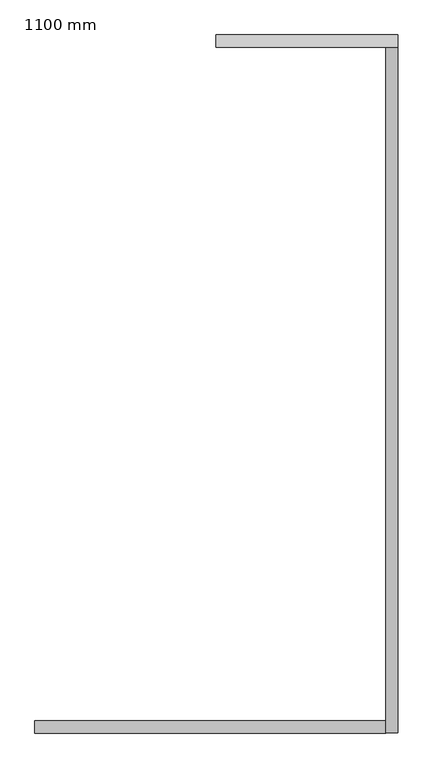
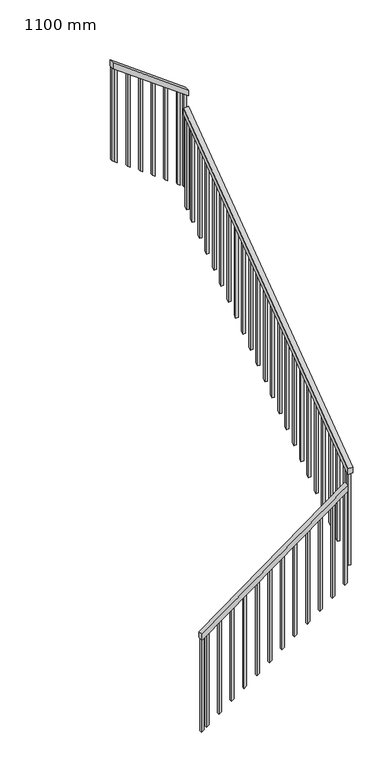
"""IFC4 building model written with IfcOpenShell, lengths in millimetres: railing geometry, 1100 mm."""

from ifc_helpers import new_model, si_unit, frame, origin, place, context, project, spatial, polyline, outline, extrude, source, transform, mapped, element, save


def railing_1100_mm_e6443745(model_context):
    return source(origin(), model_context, "Body", "SweptSolid", [
        extrude(outline(polyline([(1282.6086957, -10342.4724667), (1220.6475076, -10342.4724667), (2279.7047525, -8895.4724667), (2341.6659406, -8895.4724667), (1282.6086957, -10342.4724667)])), frame((0.0, -423.5476232, 0.0), z_axis=(0.0, 1.0, 0.0), x_axis=(0.0, 0.0, 1.0)), (0.0, 0.0, 1.0), 50.0),
        extrude(outline(polyline([(-423.5476232, 2451.3727606), (-423.5476232, 2513.3221445), (2402.4523768, 4580.5376991), (2402.4523768, 4518.5883152), (-423.5476232, 2451.3727606)])), frame((-8895.4724667, 0.0, 0.0), z_axis=(1.0, 0.0, 0.0), x_axis=(0.0, 1.0, 0.0)), (0.0, 0.0, 1.0), 50.0),
        extrude(outline(polyline([(4690.2559235, -8845.4724667), (4752.173913, -8845.4724667), (5300.0, -9595.4724667), (5238.0820105, -9595.4724667), (4690.2559235, -8845.4724667)])), frame((0.0, 2402.4523768, 0.0), z_axis=(0.0, 1.0, 0.0), x_axis=(0.0, 0.0, 1.0)), (0.0, 0.0, 1.0), 50.0),
        extrude(outline(polyline([(5201.5602713, -9545.4724667), (5219.8211409, -9570.4724667), (4247.1132281, -9570.4724667), (4228.8523586, -9545.4724667), (5201.5602713, -9545.4724667)])), frame((0.0, 2414.9523768, 0.0), z_axis=(0.0, 1.0, 0.0), x_axis=(0.0, 0.0, 1.0)), (0.0, 0.0, 1.0), 25.0),
        extrude(outline(polyline([(5110.2559235, -9420.4724667), (5128.5167931, -9445.4724667), (4155.8088803, -9445.4724667), (4137.5480107, -9420.4724667), (5110.2559235, -9420.4724667)])), frame((0.0, 2414.9523768, 0.0), z_axis=(0.0, 1.0, 0.0), x_axis=(0.0, 0.0, 1.0)), (0.0, 0.0, 1.0), 25.0),
        extrude(outline(polyline([(5018.9515757, -9295.4724667), (5037.2124452, -9320.4724667), (4064.5045325, -9320.4724667), (4046.2436629, -9295.4724667), (5018.9515757, -9295.4724667)])), frame((0.0, 2414.9523768, 0.0), z_axis=(0.0, 1.0, 0.0), x_axis=(0.0, 0.0, 1.0)), (0.0, 0.0, 1.0), 25.0),
        extrude(outline(polyline([(4927.6472278, -9170.4724667), (4945.9080974, -9195.4724667), (3973.2001847, -9195.4724667), (3954.9393151, -9170.4724667), (4927.6472278, -9170.4724667)])), frame((0.0, 2414.9523768, 0.0), z_axis=(0.0, 1.0, 0.0), x_axis=(0.0, 0.0, 1.0)), (0.0, 0.0, 1.0), 25.0),
        extrude(outline(polyline([(4836.34288, -9045.4724667), (4854.6037496, -9070.4724667), (3881.8958368, -9070.4724667), (3863.6349673, -9045.4724667), (4836.34288, -9045.4724667)])), frame((0.0, 2414.9523768, 0.0), z_axis=(0.0, 1.0, 0.0), x_axis=(0.0, 0.0, 1.0)), (0.0, 0.0, 1.0), 25.0),
        extrude(outline(polyline([(4745.0385322, -8920.4724667), (4763.2994018, -8945.4724667), (3790.591489, -8945.4724667), (3772.3306194, -8920.4724667), (4745.0385322, -8920.4724667)])), frame((0.0, 2414.9523768, 0.0), z_axis=(0.0, 1.0, 0.0), x_axis=(0.0, 0.0, 1.0)), (0.0, 0.0, 1.0), 25.0),
        extrude(outline(polyline([(2276.4523768, 4426.3491159), (2301.4523768, 4444.6465804), (2301.4523768, 3472.1778335), (2276.4523768, 3453.880369), (2276.4523768, 4426.3491159)])), frame((-8882.9724667, 0.0, 0.0), z_axis=(1.0, 0.0, 0.0), x_axis=(0.0, 1.0, 0.0)), (0.0, 0.0, 1.0), 25.0),
        extrude(outline(polyline([(2151.4523768, 4334.9117683), (2176.4523768, 4353.2092328), (2176.4523768, 3380.7404859), (2151.4523768, 3362.4430214), (2151.4523768, 4334.9117683)])), frame((-8882.9724667, 0.0, 0.0), z_axis=(1.0, 0.0, 0.0), x_axis=(0.0, 1.0, 0.0)), (0.0, 0.0, 1.0), 25.0),
        extrude(outline(polyline([(2026.4523768, 4243.4744207), (2051.4523768, 4261.7718852), (2051.4523768, 3289.3031383), (2026.4523768, 3271.0056738), (2026.4523768, 4243.4744207)])), frame((-8882.9724667, 0.0, 0.0), z_axis=(1.0, 0.0, 0.0), x_axis=(0.0, 1.0, 0.0)), (0.0, 0.0, 1.0), 25.0),
        extrude(outline(polyline([(1901.4523768, 4152.0370731), (1926.4523768, 4170.3345376), (1926.4523768, 3197.8657907), (1901.4523768, 3179.5683262), (1901.4523768, 4152.0370731)])), frame((-8882.9724667, 0.0, 0.0), z_axis=(1.0, 0.0, 0.0), x_axis=(0.0, 1.0, 0.0)), (0.0, 0.0, 1.0), 25.0),
        extrude(outline(polyline([(1776.4523768, 4060.5997255), (1801.4523768, 4078.89719), (1801.4523768, 3106.4284431), (1776.4523768, 3088.1309786), (1776.4523768, 4060.5997255)])), frame((-8882.9724667, 0.0, 0.0), z_axis=(1.0, 0.0, 0.0), x_axis=(0.0, 1.0, 0.0)), (0.0, 0.0, 1.0), 25.0),
        extrude(outline(polyline([(1651.4523768, 3969.1623779), (1676.4523768, 3987.4598424), (1676.4523768, 3014.9910954), (1651.4523768, 2996.693631), (1651.4523768, 3969.1623779)])), frame((-8882.9724667, 0.0, 0.0), z_axis=(1.0, 0.0, 0.0), x_axis=(0.0, 1.0, 0.0)), (0.0, 0.0, 1.0), 25.0),
        extrude(outline(polyline([(1526.4523768, 3877.7250303), (1551.4523768, 3896.0224948), (1551.4523768, 2923.5537478), (1526.4523768, 2905.2562833), (1526.4523768, 3877.7250303)])), frame((-8882.9724667, 0.0, 0.0), z_axis=(1.0, 0.0, 0.0), x_axis=(0.0, 1.0, 0.0)), (0.0, 0.0, 1.0), 25.0),
        extrude(outline(polyline([(1401.4523768, 3786.2876827), (1426.4523768, 3804.5851472), (1426.4523768, 2832.1164002), (1401.4523768, 2813.8189357), (1401.4523768, 3786.2876827)])), frame((-8882.9724667, 0.0, 0.0), z_axis=(1.0, 0.0, 0.0), x_axis=(0.0, 1.0, 0.0)), (0.0, 0.0, 1.0), 25.0),
        extrude(outline(polyline([(1276.4523768, 3694.8503351), (1301.4523768, 3713.1477996), (1301.4523768, 2740.6790526), (1276.4523768, 2722.3815881), (1276.4523768, 3694.8503351)])), frame((-8882.9724667, 0.0, 0.0), z_axis=(1.0, 0.0, 0.0), x_axis=(0.0, 1.0, 0.0)), (0.0, 0.0, 1.0), 25.0),
        extrude(outline(polyline([(1151.4523768, 3603.4129875), (1176.4523768, 3621.710452), (1176.4523768, 2649.241705), (1151.4523768, 2630.9442405), (1151.4523768, 3603.4129875)])), frame((-8882.9724667, 0.0, 0.0), z_axis=(1.0, 0.0, 0.0), x_axis=(0.0, 1.0, 0.0)), (0.0, 0.0, 1.0), 25.0),
        extrude(outline(polyline([(1026.4523768, 3511.9756399), (1051.4523768, 3530.2731044), (1051.4523768, 2557.8043574), (1026.4523768, 2539.5068929), (1026.4523768, 3511.9756399)])), frame((-8882.9724667, 0.0, 0.0), z_axis=(1.0, 0.0, 0.0), x_axis=(0.0, 1.0, 0.0)), (0.0, 0.0, 1.0), 25.0),
        extrude(outline(polyline([(901.4523768, 3420.5382923), (926.4523768, 3438.8357568), (926.4523768, 2466.3670098), (901.4523768, 2448.0695453), (901.4523768, 3420.5382923)])), frame((-8882.9724667, 0.0, 0.0), z_axis=(1.0, 0.0, 0.0), x_axis=(0.0, 1.0, 0.0)), (0.0, 0.0, 1.0), 25.0),
        extrude(outline(polyline([(776.4523768, 3329.1009447), (801.4523768, 3347.3984092), (801.4523768, 2374.9296622), (776.4523768, 2356.6321977), (776.4523768, 3329.1009447)])), frame((-8882.9724667, 0.0, 0.0), z_axis=(1.0, 0.0, 0.0), x_axis=(0.0, 1.0, 0.0)), (0.0, 0.0, 1.0), 25.0),
        extrude(outline(polyline([(651.4523768, 3237.6635971), (676.4523768, 3255.9610616), (676.4523768, 2283.4923146), (651.4523768, 2265.1948501), (651.4523768, 3237.6635971)])), frame((-8882.9724667, 0.0, 0.0), z_axis=(1.0, 0.0, 0.0), x_axis=(0.0, 1.0, 0.0)), (0.0, 0.0, 1.0), 25.0),
        extrude(outline(polyline([(526.4523768, 3146.2262495), (551.4523768, 3164.523714), (551.4523768, 2192.054967), (526.4523768, 2173.7575025), (526.4523768, 3146.2262495)])), frame((-8882.9724667, 0.0, 0.0), z_axis=(1.0, 0.0, 0.0), x_axis=(0.0, 1.0, 0.0)), (0.0, 0.0, 1.0), 25.0),
        extrude(outline(polyline([(401.4523768, 3054.7889019), (426.4523768, 3073.0863664), (426.4523768, 2100.6176194), (401.4523768, 2082.3201549), (401.4523768, 3054.7889019)])), frame((-8882.9724667, 0.0, 0.0), z_axis=(1.0, 0.0, 0.0), x_axis=(0.0, 1.0, 0.0)), (0.0, 0.0, 1.0), 25.0),
        extrude(outline(polyline([(276.4523768, 2963.3515543), (301.4523768, 2981.6490188), (301.4523768, 2009.1802718), (276.4523768, 1990.8828073), (276.4523768, 2963.3515543)])), frame((-8882.9724667, 0.0, 0.0), z_axis=(1.0, 0.0, 0.0), x_axis=(0.0, 1.0, 0.0)), (0.0, 0.0, 1.0), 25.0),
        extrude(outline(polyline([(151.4523768, 2871.9142067), (176.4523768, 2890.2116712), (176.4523768, 1917.7429242), (151.4523768, 1899.4454597), (151.4523768, 2871.9142067)])), frame((-8882.9724667, 0.0, 0.0), z_axis=(1.0, 0.0, 0.0), x_axis=(0.0, 1.0, 0.0)), (0.0, 0.0, 1.0), 25.0),
        extrude(outline(polyline([(26.4523768, 2780.4768591), (51.4523768, 2798.7743236), (51.4523768, 1826.3055766), (26.4523768, 1808.0081121), (26.4523768, 2780.4768591)])), frame((-8882.9724667, 0.0, 0.0), z_axis=(1.0, 0.0, 0.0), x_axis=(0.0, 1.0, 0.0)), (0.0, 0.0, 1.0), 25.0),
        extrude(outline(polyline([(-98.5476232, 2689.0395115), (-73.5476232, 2707.336976), (-73.5476232, 1734.868229), (-98.5476232, 1716.5707645), (-98.5476232, 2689.0395115)])), frame((-8882.9724667, 0.0, 0.0), z_axis=(1.0, 0.0, 0.0), x_axis=(0.0, 1.0, 0.0)), (0.0, 0.0, 1.0), 25.0),
        extrude(outline(polyline([(-223.5476232, 2597.6021639), (-198.5476232, 2615.8996284), (-198.5476232, 1643.4308814), (-223.5476232, 1625.1334169), (-223.5476232, 2597.6021639)])), frame((-8882.9724667, 0.0, 0.0), z_axis=(1.0, 0.0, 0.0), x_axis=(0.0, 1.0, 0.0)), (0.0, 0.0, 1.0), 25.0),
        extrude(outline(polyline([(-348.5476232, 2506.1648163), (-323.5476232, 2524.4622807), (-323.5476232, 1551.9935338), (-348.5476232, 1533.6960693), (-348.5476232, 2506.1648163)])), frame((-8882.9724667, 0.0, 0.0), z_axis=(1.0, 0.0, 0.0), x_axis=(0.0, 1.0, 0.0)), (0.0, 0.0, 1.0), 25.0),
        extrude(outline(polyline([(1291.1342368, -8917.4724667), (1309.4317013, -8892.4724667), (2281.9004482, -8892.4724667), (2263.6029837, -8917.4724667), (1291.1342368, -8917.4724667)])), frame((0.0, -411.0476232, 0.0), z_axis=(0.0, 1.0, 0.0), x_axis=(0.0, 0.0, 1.0)), (0.0, 0.0, 1.0), 25.0),
        extrude(outline(polyline([(1199.6469143, -9042.4724667), (1217.9443788, -9017.4724667), (2190.4131258, -9017.4724667), (2172.1156613, -9042.4724667), (1199.6469143, -9042.4724667)])), frame((0.0, -411.0476232, 0.0), z_axis=(0.0, 1.0, 0.0), x_axis=(0.0, 0.0, 1.0)), (0.0, 0.0, 1.0), 25.0),
        extrude(outline(polyline([(1108.1595918, -9167.4724667), (1126.4570563, -9142.4724667), (2098.9258033, -9142.4724667), (2080.6283388, -9167.4724667), (1108.1595918, -9167.4724667)])), frame((0.0, -411.0476232, 0.0), z_axis=(0.0, 1.0, 0.0), x_axis=(0.0, 0.0, 1.0)), (0.0, 0.0, 1.0), 25.0),
        extrude(outline(polyline([(1016.6722694, -9292.4724667), (1034.9697339, -9267.4724667), (2007.4384808, -9267.4724667), (1989.1410163, -9292.4724667), (1016.6722694, -9292.4724667)])), frame((0.0, -411.0476232, 0.0), z_axis=(0.0, 1.0, 0.0), x_axis=(0.0, 0.0, 1.0)), (0.0, 0.0, 1.0), 25.0),
        extrude(outline(polyline([(925.1849469, -9417.4724667), (943.4824114, -9392.4724667), (1915.9511584, -9392.4724667), (1897.6536939, -9417.4724667), (925.1849469, -9417.4724667)])), frame((0.0, -411.0476232, 0.0), z_axis=(0.0, 1.0, 0.0), x_axis=(0.0, 0.0, 1.0)), (0.0, 0.0, 1.0), 25.0),
        extrude(outline(polyline([(833.6976244, -9542.4724667), (851.9950889, -9517.4724667), (1824.4638359, -9517.4724667), (1806.1663714, -9542.4724667), (833.6976244, -9542.4724667)])), frame((0.0, -411.0476232, 0.0), z_axis=(0.0, 1.0, 0.0), x_axis=(0.0, 0.0, 1.0)), (0.0, 0.0, 1.0), 25.0),
        extrude(outline(polyline([(742.2103019, -9667.4724667), (760.5077664, -9642.4724667), (1732.9765134, -9642.4724667), (1714.6790489, -9667.4724667), (742.2103019, -9667.4724667)])), frame((0.0, -411.0476232, 0.0), z_axis=(0.0, 1.0, 0.0), x_axis=(0.0, 0.0, 1.0)), (0.0, 0.0, 1.0), 25.0),
        extrude(outline(polyline([(650.7229795, -9792.4724667), (669.020444, -9767.4724667), (1641.4891909, -9767.4724667), (1623.1917264, -9792.4724667), (650.7229795, -9792.4724667)])), frame((0.0, -411.0476232, 0.0), z_axis=(0.0, 1.0, 0.0), x_axis=(0.0, 0.0, 1.0)), (0.0, 0.0, 1.0), 25.0),
        extrude(outline(polyline([(559.235657, -9917.4724667), (577.5331215, -9892.4724667), (1550.0018685, -9892.4724667), (1531.704404, -9917.4724667), (559.235657, -9917.4724667)])), frame((0.0, -411.0476232, 0.0), z_axis=(0.0, 1.0, 0.0), x_axis=(0.0, 0.0, 1.0)), (0.0, 0.0, 1.0), 25.0),
        extrude(outline(polyline([(467.7483345, -10042.4724667), (486.045799, -10017.4724667), (1458.514546, -10017.4724667), (1440.2170815, -10042.4724667), (467.7483345, -10042.4724667)])), frame((0.0, -411.0476232, 0.0), z_axis=(0.0, 1.0, 0.0), x_axis=(0.0, 0.0, 1.0)), (0.0, 0.0, 1.0), 25.0),
        extrude(outline(polyline([(376.2610121, -10167.4724667), (394.5584766, -10142.4724667), (1367.0272235, -10142.4724667), (1348.729759, -10167.4724667), (376.2610121, -10167.4724667)])), frame((0.0, -411.0476232, 0.0), z_axis=(0.0, 1.0, 0.0), x_axis=(0.0, 0.0, 1.0)), (0.0, 0.0, 1.0), 25.0),
        extrude(outline(polyline([(284.7736896, -10292.4724667), (303.0711541, -10267.4724667), (1275.5399011, -10267.4724667), (1257.2424366, -10292.4724667), (284.7736896, -10292.4724667)])), frame((0.0, -411.0476232, 0.0), z_axis=(0.0, 1.0, 0.0), x_axis=(0.0, 0.0, 1.0)), (0.0, 0.0, 1.0), 25.0),
        extrude(outline(polyline([(4699.3863583, -8857.9724667), (4717.6472278, -8882.9724667), (3744.9393151, -8882.9724667), (3726.6784455, -8857.9724667), (4699.3863583, -8857.9724667)])), frame((0.0, 2414.9523768, 0.0), z_axis=(0.0, 1.0, 0.0), x_axis=(0.0, 0.0, 1.0)), (0.0, 0.0, 1.0), 25.0),
        extrude(outline(polyline([(2374.9523768, 4519.5652174), (2399.9523768, 4519.5652174), (2399.9523768, 3544.2254659), (2374.9523768, 3525.9379964), (2374.9523768, 4519.5652174)])), frame((-8882.9724667, 0.0, 0.0), z_axis=(1.0, 0.0, 0.0), x_axis=(0.0, 1.0, 0.0)), (0.0, 0.0, 1.0), 25.0),
        extrude(outline(polyline([(-411.0476232, 2460.4461425), (-386.0476232, 2478.7436069), (-386.0476232, 1506.27486), (-411.0476232, 1487.9773955), (-411.0476232, 2460.4461425)])), frame((-8882.9724667, 0.0, 0.0), z_axis=(1.0, 0.0, 0.0), x_axis=(0.0, 1.0, 0.0)), (0.0, 0.0, 1.0), 25.0),
        extrude(outline(polyline([(5219.8211409, -9570.4724667), (5238.0820105, -9595.4724667), (4265.3740977, -9595.4724667), (4247.1132281, -9570.4724667), (5219.8211409, -9570.4724667)])), frame((0.0, 2414.9523768, 0.0), z_axis=(0.0, 1.0, 0.0), x_axis=(0.0, 0.0, 1.0)), (0.0, 0.0, 1.0), 25.0),
        extrude(outline(polyline([(248.1787606, -10342.4724667), (266.4762251, -10317.4724667), (1238.9449721, -10317.4724667), (1220.6475076, -10342.4724667), (248.1787606, -10342.4724667)])), frame((0.0, -411.0476232, 0.0), z_axis=(0.0, 1.0, 0.0), x_axis=(0.0, 0.0, 1.0)), (0.0, 0.0, 1.0), 25.0),
    ])


if __name__ == "__main__":
    model = new_model("IFC4")
    model_context = context("Model", 3, world=origin())
    ifc_project = project(units=[si_unit("LENGTHUNIT", "METRE", prefix="MILLI")], contexts=[model_context])
    site = spatial("IfcSite", under=ifc_project)
    building = spatial("IfcBuilding", under=site)
    placement = place(None, origin())
    railing_1100_mm_shape = railing_1100_mm_e6443745(model_context)
    element("IfcRailing", 1, ObjectType="1100 mm", at=placement, inside=building, context=model_context, shape_type="MappedRepresentation", body=[
        mapped(railing_1100_mm_shape, transform((0.0, 0.0, 0.0), x_axis=(1.0, 0.0, 0.0), y_axis=(0.0, 1.0, 0.0), z_axis=(0.0, 0.0, 1.0))),
    ])
    save(model, "model.ifc")
